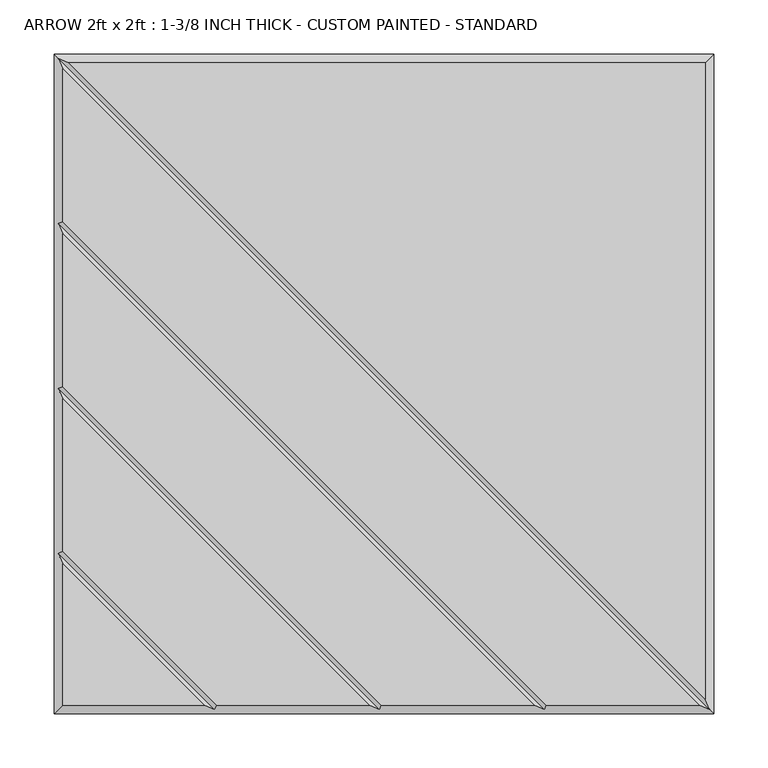
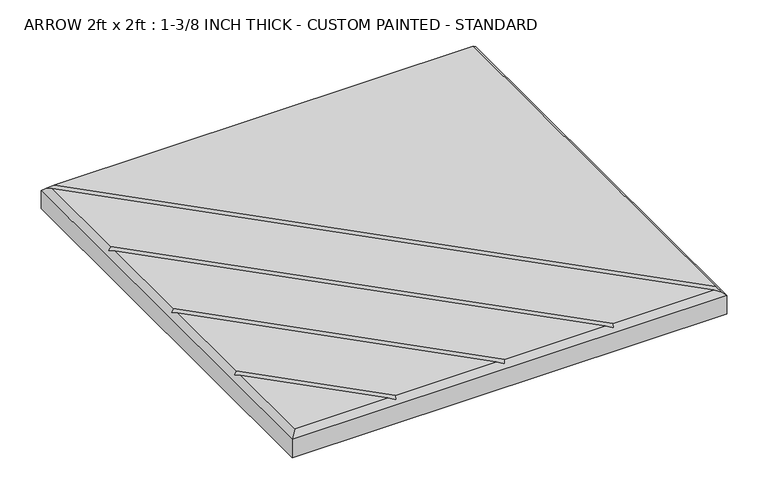
"""IFC4 building model written with IfcOpenShell, lengths in millimetres: proxy geometry, ARROW 2ft x 2ft : 1-3/8 INCH THICK - CUSTOM PAINTED - STANDARD."""

from ifc_helpers import new_model, si_unit, origin, place, context, project, spatial, faceted_brep, source, transform, mapped, element, save


def arrow_2ft_x_2ft_1_3_8_inch_thick_custom_painted_standard_b746513b(model_context):
    return source(origin(), model_context, "Body", "Brep", [
        faceted_brep([(296.799, 296.799, 34.925), (-291.1414386, 296.799, 34.925), (296.799, -291.1414386, 34.925), (291.1414386, -296.799, 34.925), (-296.799, 291.1414386, 34.925), (-296.799, 150.0565868, 34.925), (150.0565868, -296.799, 34.925), (138.741464, -296.799, 34.925), (-296.799, 138.741464, 34.925), (-296.799, -2.3434132, 34.925), (-2.3434132, -296.799, 34.925), (-13.658536, -296.799, 34.925), (-296.799, -13.658536, 34.925), (-296.799, -154.7434132, 34.925), (-154.7434132, -296.799, 34.925), (-296.799, -166.058536, 34.925), (-296.799, -296.799, 34.925), (-166.058536, -296.799, 34.925), (-304.8, 304.8, 0.0), (304.8, 304.8, 0.0), (304.8, -304.8, 0.0), (-304.8, -304.8, 0.0), (-304.8, -304.8, 26.924), (-304.8, 304.8, 26.924), (304.8, -304.8, 26.924), (304.8, 304.8, 26.924), (-300.7995, 300.7995, 30.9245), (-300.7995, -156.4004746, 30.9245), (-300.7995, -4.0004746, 30.9245), (-300.7995, 148.3995254, 30.9245), (300.7995, -300.7995, 30.9245), (148.3995254, -300.7995, 30.9245), (-4.0004746, -300.7995, 30.9245), (-156.4004746, -300.7995, 30.9245)], [[[0, 1, 2]], [[3, 4, 5, 6]], [[7, 8, 9, 10]], [[11, 12, 13, 14]], [[15, 16, 17]], [[18, 19, 20, 21]], [[18, 21, 22, 23]], [[21, 20, 24, 22]], [[20, 19, 25, 24]], [[19, 18, 23, 25]], [[0, 25, 23, 26, 1]], [[22, 16, 15, 27, 13, 12, 28, 9, 8, 29, 5, 4, 26, 23]], [[16, 22, 24, 30, 3, 6, 31, 7, 10, 32, 11, 14, 33, 17]], [[25, 0, 2, 30, 24]], [[26, 30, 2, 1]], [[30, 26, 4, 3]], [[29, 31, 6, 5]], [[31, 29, 8, 7]], [[28, 32, 10, 9]], [[32, 28, 12, 11]], [[27, 33, 14, 13]], [[33, 27, 15, 17]]]),
    ])


if __name__ == "__main__":
    model = new_model("IFC4")
    model_context = context("Model", 3, world=origin())
    ifc_project = project(units=[si_unit("LENGTHUNIT", "METRE", prefix="MILLI")], contexts=[model_context])
    site = spatial("IfcSite", under=ifc_project)
    building = spatial("IfcBuilding", under=site)
    placement = place(None, origin())
    arrow_2ft_x_2ft_1_3_8_inch_thick_custom_painted_standard_shape = arrow_2ft_x_2ft_1_3_8_inch_thick_custom_painted_standard_b746513b(model_context)
    element("IfcBuildingElementProxy", 1, Name="ARROW 2ft x 2ft : 1-3/8 INCH THICK - CUSTOM PAINTED - STANDARD", ObjectType="ARROW 2ft x 2ft : 1-3/8 INCH THICK - CUSTOM PAINTED - STANDARD", at=placement, inside=building, context=model_context, shape_type="MappedRepresentation", body=[
        mapped(arrow_2ft_x_2ft_1_3_8_inch_thick_custom_painted_standard_shape, transform((0.0, 0.0, 0.0), x_axis=(1.0, 0.0, 0.0), y_axis=(0.0, 1.0, 0.0), z_axis=(0.0, 0.0, 1.0))),
    ])
    save(model, "model.ifc")
